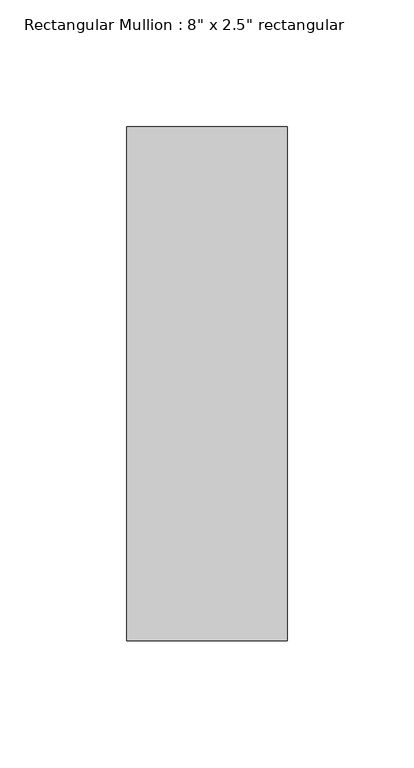
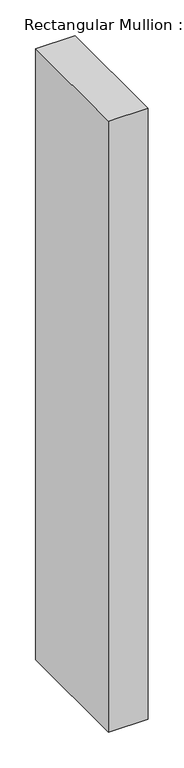
"""IFC4 building model written with IfcOpenShell, lengths in millimetres: member geometry."""

from ifc_helpers import new_model, si_unit, frame, origin, place, context, project, spatial, polyline, outline, extrude, source, transform, mapped, element, save


def member_33d78875(model_context):
    return source(origin(), model_context, "Body", "SweptSolid", [
        extrude(outline(polyline([(0.0, 88.9), (0.0, -114.3), (-63.5, -114.3), (-63.5, 88.9), (0.0, 88.9)])), frame((0.0, 0.0, -1038.86), z_axis=(0.0, 0.0, 1.0), x_axis=(1.0, 0.0, 0.0)), (0.0, 0.0, 1.0), 1038.86),
    ])


if __name__ == "__main__":
    model = new_model("IFC4")
    model_context = context("Model", 3, world=origin())
    ifc_project = project(units=[si_unit("LENGTHUNIT", "METRE", prefix="MILLI")], contexts=[model_context])
    site = spatial("IfcSite", under=ifc_project)
    building = spatial("IfcBuilding", under=site)
    placement = place(None, origin())
    member_shape = member_33d78875(model_context)
    element("IfcMember", 1, ObjectType="Rectangular Mullion : 8\" x 2.5\" rectangular", at=placement, inside=building, context=model_context, shape_type="MappedRepresentation", body=[
        mapped(member_shape, transform((0.0, 0.0, 0.0), x_axis=(1.0, 0.0, 0.0), y_axis=(0.0, 1.0, 0.0), z_axis=(0.0, 0.0, 1.0))),
    ])
    save(model, "model.ifc")
